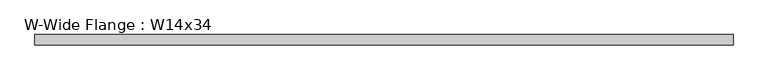
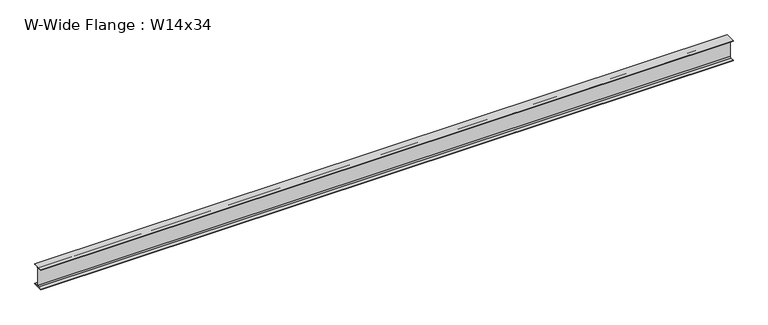
"""IFC4 building model written with IfcOpenShell, lengths in millimetres: beam geometry, W-Wide Flange : W14x34."""

from ifc_helpers import new_model, si_unit, point, frame, frame_2d, origin, place, context, project, spatial, polyline, circle_curve, trimmed, segment, composite_curve, outline, extrude, source, transform, mapped, element, save


def w_wide_flange_w14x34_47336c68(model_context):
    return source(origin(), model_context, "Body", "SweptSolid", [
        extrude(outline(composite_curve([segment(polyline([(85.725, -166.243), (85.725, -177.8), (-85.725, -177.8), (-85.725, -166.243), (-22.225, -166.243)]), True, "CONTINUOUS"), segment(trimmed(circle_curve(frame_2d((-22.225, -147.6375)), 18.6055), [point((-22.225, -166.243))], [point((-3.6195, -147.6375))], True, "CARTESIAN"), True, "CONTINUOUS"), segment(polyline([(-3.6195, -147.6375), (-3.6195, 147.6375)]), True, "CONTINUOUS"), segment(trimmed(circle_curve(frame_2d((-22.225, 147.6375)), 18.6055), [point((-3.6195, 147.6375))], [point((-22.225, 166.243))], True, "CARTESIAN"), True, "CONTINUOUS"), segment(polyline([(-22.225, 166.243), (-85.725, 166.243), (-85.725, 177.8), (85.725, 177.8), (85.725, 166.243), (22.225, 166.243)]), True, "CONTINUOUS"), segment(trimmed(circle_curve(frame_2d((22.225, 147.6375)), 18.6055), [point((22.225, 166.243))], [point((3.6195, 147.6375))], True, "CARTESIAN"), True, "CONTINUOUS"), segment(polyline([(3.6195, 147.6375), (3.6195, -147.6375)]), True, "CONTINUOUS"), segment(trimmed(circle_curve(frame_2d((22.225, -147.6375)), 18.6055), [point((3.6195, -147.6375))], [point((22.225, -166.243))], True, "CARTESIAN"), True, "CONTINUOUS"), segment(polyline([(22.225, -166.243), (85.725, -166.243)]), True, "CONTINUOUS")], self_intersect=False)), frame((-5742.5547521, 0.0, 0.0), z_axis=(1.0, 0.0, 0.0), x_axis=(0.0, 1.0, 0.0)), (0.0, 0.0, 1.0), 11554.3043326),
    ])


if __name__ == "__main__":
    model = new_model("IFC4")
    model_context = context("Model", 3, world=origin())
    ifc_project = project(units=[si_unit("LENGTHUNIT", "METRE", prefix="MILLI")], contexts=[model_context])
    site = spatial("IfcSite", under=ifc_project)
    building = spatial("IfcBuilding", under=site)
    placement = place(None, origin())
    w_wide_flange_w14x34_shape = w_wide_flange_w14x34_47336c68(model_context)
    element("IfcBeam", 1, ObjectType="W-Wide Flange : W14x34", at=placement, inside=building, context=model_context, shape_type="MappedRepresentation", body=[
        mapped(w_wide_flange_w14x34_shape, transform((0.0, 0.0, 0.0), x_axis=(1.0, 0.0, 0.0), y_axis=(0.0, 1.0, 0.0), z_axis=(0.0, 0.0, 1.0))),
    ])
    save(model, "model.ifc")
